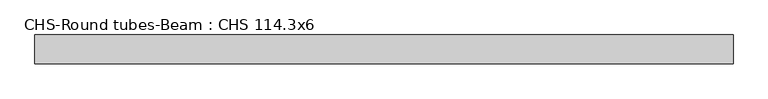
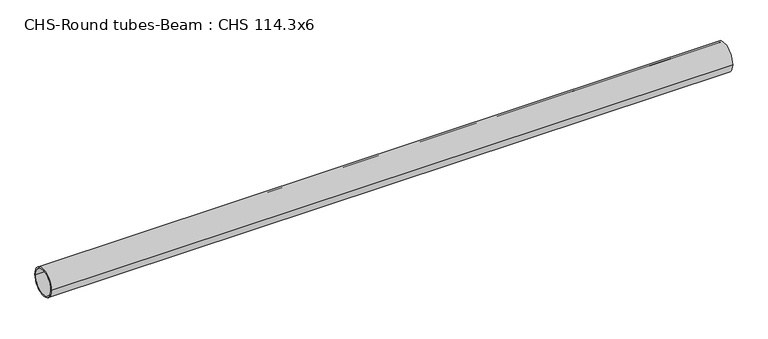
"""IFC4 building model written with IfcOpenShell, lengths in millimetres: beam geometry, CHS-Round tubes-Beam : CHS 114.3x6."""

from ifc_helpers import new_model, si_unit, point, frame, origin, origin_2d, place, context, project, spatial, circle_curve, trimmed, segment, composite_curve, outline, extrude, source, transform, mapped, element, save


def chs_round_tubes_beam_chs_114_3x6_80ff5d09(model_context):
    return source(origin(), model_context, "Body", "SweptSolid", [
        extrude(outline(composite_curve([segment(trimmed(circle_curve(origin_2d(), 57.15), [point((57.15, 0.0))], [point((-57.15, 0.0))], False, "CARTESIAN"), True, "CONTINUOUS"), segment(trimmed(circle_curve(origin_2d(), 57.15), [point((-57.15, 0.0))], [point((57.15, 0.0))], False, "CARTESIAN"), True, "CONTINUOUS")], self_intersect=False), holes=[composite_curve([segment(trimmed(circle_curve(origin_2d(), 51.15), [point((51.15, 0.0))], [point((-51.15, 0.0))], True, "CARTESIAN"), True, "CONTINUOUS"), segment(trimmed(circle_curve(origin_2d(), 51.15), [point((-51.15, 0.0))], [point((51.15, 0.0))], True, "CARTESIAN"), True, "CONTINUOUS")], self_intersect=False)]), frame((-1379.1576297, 0.0, 0.0), z_axis=(1.0, 0.0, 0.0), x_axis=(0.0, 1.0, 0.0)), (0.0, 0.0, 1.0), 2751.4007255),
    ])


if __name__ == "__main__":
    model = new_model("IFC4")
    model_context = context("Model", 3, world=origin())
    ifc_project = project(units=[si_unit("LENGTHUNIT", "METRE", prefix="MILLI")], contexts=[model_context])
    site = spatial("IfcSite", under=ifc_project)
    building = spatial("IfcBuilding", under=site)
    placement = place(None, origin())
    chs_round_tubes_beam_chs_114_3x6_shape = chs_round_tubes_beam_chs_114_3x6_80ff5d09(model_context)
    element("IfcBeam", 1, ObjectType="CHS-Round tubes-Beam : CHS 114.3x6", at=placement, inside=building, context=model_context, shape_type="MappedRepresentation", body=[
        mapped(chs_round_tubes_beam_chs_114_3x6_shape, transform((0.0, 0.0, 0.0), x_axis=(1.0, 0.0, 0.0), y_axis=(0.0, 1.0, 0.0), z_axis=(0.0, 0.0, 1.0))),
    ])
    save(model, "model.ifc")
